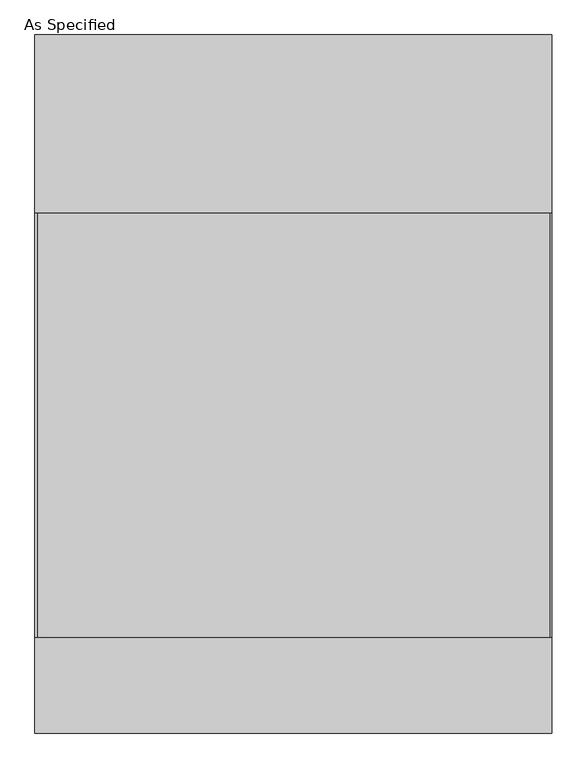
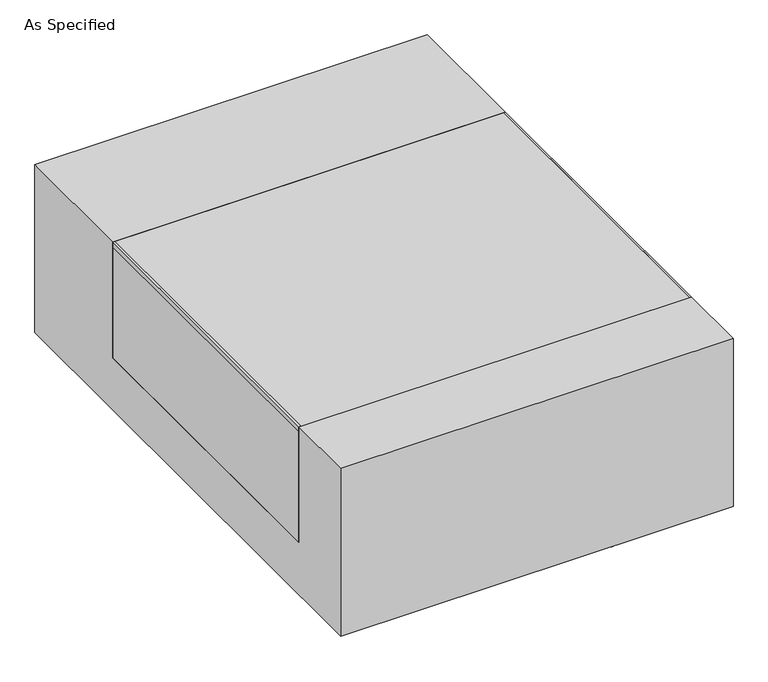
"""IFC4 building model written with IfcOpenShell, lengths in millimetres: proxy geometry, As Specified."""

from ifc_helpers import new_model, si_unit, point, frame, frame_2d, origin, place, context, project, spatial, polyline, circle_curve, trimmed, segment, composite_curve, outline, extrude, source, transform, mapped, element, save


def as_specified_635137a2(model_context):
    return source(origin(), model_context, "Body", "SweptSolid", [
        extrude(outline(composite_curve([segment(trimmed(circle_curve(frame_2d((237.2125, -702.475)), 10.5), [point((237.2125, -712.975))], [point((237.2125, -691.975))], False, "CARTESIAN"), True, "CONTINUOUS"), segment(trimmed(circle_curve(frame_2d((237.2125, -702.475)), 10.5), [point((237.2125, -691.975))], [point((237.2125, -712.975))], False, "CARTESIAN"), True, "CONTINUOUS")], self_intersect=False)), frame((0.0, 0.0, -562.225), z_axis=(0.0, 0.0, 1.0), x_axis=(1.0, 0.0, 0.0)), (0.0, 0.0, 1.0), 32.0),
        extrude(outline(polyline([(-551.65625, -546.1), (-557.2125, -546.1), (-557.2125, 368.3), (-551.65625, 368.3), (-551.65625, -546.1)])), frame((0.0, 0.0, -39.6875), z_axis=(0.0, 0.0, 1.0), x_axis=(1.0, 0.0, 0.0)), (0.0, 0.0, 1.0), 14.2875),
        extrude(outline(polyline([(553.24375, 368.3), (557.2125, 368.3), (557.2125, -546.1), (553.24375, -546.1), (553.24375, 368.3)])), frame((0.0, 0.0, -39.6875), z_axis=(0.0, 0.0, 1.0), x_axis=(1.0, 0.0, 0.0)), (0.0, 0.0, 1.0), 14.2875),
        extrude(outline(polyline([(557.2125, 368.3), (557.2125, -546.1), (-557.2125, -546.1), (-557.2125, 368.3), (557.2125, 368.3)])), frame((0.0, 0.0, -373.0625), z_axis=(0.0, 0.0, 1.0), x_axis=(1.0, 0.0, 0.0)), (0.0, 0.0, 1.0), 347.6625),
        extrude(outline(polyline([(752.475, -25.4), (752.475, -530.225), (-752.475, -530.225), (-752.475, -25.4), (-546.1, -25.4), (-546.1, -373.0625), (368.3, -373.0625), (368.3, -25.4), (752.475, -25.4)])), frame((-557.2125, 0.0, 0.0), z_axis=(1.0, 0.0, 0.0), x_axis=(0.0, 1.0, 0.0)), (0.0, 0.0, 1.0), 1114.425),
    ])


if __name__ == "__main__":
    model = new_model("IFC4")
    model_context = context("Model", 3, world=origin())
    ifc_project = project(units=[si_unit("LENGTHUNIT", "METRE", prefix="MILLI")], contexts=[model_context])
    site = spatial("IfcSite", under=ifc_project)
    building = spatial("IfcBuilding", under=site)
    placement = place(None, origin())
    as_specified_shape = as_specified_635137a2(model_context)
    element("IfcBuildingElementProxy", 1, Name="As Specified", ObjectType="As Specified", at=placement, inside=building, context=model_context, shape_type="MappedRepresentation", body=[
        mapped(as_specified_shape, transform((0.0, 0.0, 0.0), x_axis=(1.0, 0.0, 0.0), y_axis=(0.0, 1.0, 0.0), z_axis=(0.0, 0.0, 1.0))),
    ])
    save(model, "model.ifc")
